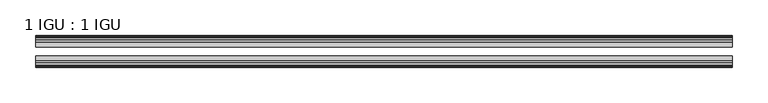
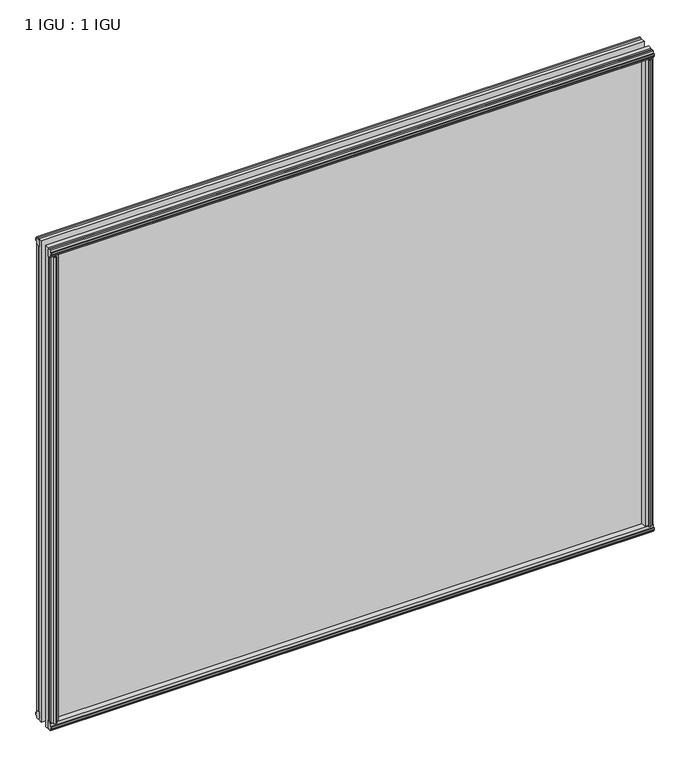
"""IFC4 building model written with IfcOpenShell, lengths in millimetres: plate geometry, 1 IGU : 1 IGU."""

from ifc_helpers import new_model, si_unit, frame, origin, origin_with_axes, place, context, project, spatial, polyline, outline, extrude, source, transform, mapped, element, save


def plate_1_igu_1_igu_0d2436c9(model_context):
    return source(origin(), model_context, "Body", "SweptSolid", [
        extrude(outline(polyline([(474.6283015, -19.5460937), (476.7335786, -13.1960937), (481.940773, -13.1960937), (482.321773, -10.8158968), (480.906244, -11.27583), (480.906244, -10.4746158), (483.083773, -9.7670937), (485.2613021, -10.4746158), (485.2613021, -11.27583), (483.845773, -10.8158968), (484.226773, -13.1960937), (488.671773, -13.1960937), (488.671773, -16.1419073), (486.4586955, -19.5460937), (474.6283015, -19.5460937)])), origin_with_axes(), (0.0, 0.0, 1.0), 800.1),
        extrude(outline(polyline([(-474.6283015, -19.5460937), (-486.4586955, -19.5460937), (-488.671773, -16.1419073), (-488.671773, -13.1960937), (-484.226773, -13.1960937), (-483.845773, -10.8158968), (-485.2613021, -11.27583), (-485.2613021, -10.4746158), (-483.083773, -9.7670937), (-480.906244, -10.4746158), (-480.906244, -11.27583), (-482.321773, -10.8158968), (-481.940773, -13.1960937), (-476.7335786, -13.1960937), (-474.6283015, -19.5460937)])), origin_with_axes(), (0.0, 0.0, 1.0), 800.1),
        extrude(outline(polyline([(-16.1419073, -12.4576852), (-19.5460937, -10.2446077), (-19.5460937, 1.5857863), (-13.1960937, -0.5194908), (-13.1960937, -5.7266852), (-10.8158968, -6.1076852), (-11.27583, -4.6921562), (-10.4746158, -4.6921562), (-9.7670937, -6.8696852), (-10.4746158, -9.0472143), (-11.27583, -9.0472143), (-10.8158968, -7.6316852), (-13.1960937, -8.0126852), (-13.1960937, -12.4576852), (-16.1419073, -12.4576852)])), frame((-488.9140878, 0.0, 0.0), z_axis=(1.0, 0.0, 0.0), x_axis=(0.0, 1.0, 0.0)), (0.0, 0.0, 1.0), 977.8281756),
        extrude(outline(polyline([(-48.3502802, -11.938), (-51.2960937, -11.938), (-51.2960937, -7.493), (-53.6762907, -7.112), (-53.2163575, -8.5275291), (-54.0175717, -8.5275291), (-54.7250937, -6.35), (-54.0175717, -4.172471), (-53.2163575, -4.172471), (-53.6762907, -5.588), (-51.2960937, -5.207), (-51.2960937, 0.0001944), (-44.9460937, 2.1054715), (-44.9460937, -9.7249225), (-48.3502802, -11.938)])), frame((-488.9140878, 0.0, 0.0), z_axis=(1.0, 0.0, 0.0), x_axis=(0.0, 1.0, 0.0)), (0.0, 0.0, 1.0), 977.8281756),
        extrude(outline(polyline([(-16.1028367, 812.5576852), (-13.1960937, 812.5576852), (-13.1960937, 808.1126852), (-10.8158968, 807.7316852), (-11.27583, 809.1472143), (-10.4746158, 809.1472143), (-9.7670937, 806.9696852), (-10.4746158, 804.7921562), (-11.27583, 804.7921562), (-10.8158968, 806.2076852), (-13.1960937, 805.8266852), (-13.1960937, 800.5940908), (-19.5460937, 798.4888137), (-19.5460937, 810.3192077), (-16.1028367, 812.5576852)])), frame((-488.9140878, 0.0, 0.0), z_axis=(1.0, 0.0, 0.0), x_axis=(0.0, 1.0, 0.0)), (0.0, 0.0, 1.0), 977.8281756),
        extrude(outline(polyline([(-48.3893508, 812.0126), (-44.9460937, 809.7741225), (-44.9460937, 797.9437285), (-51.2960937, 800.0490056), (-51.2960937, 805.2816), (-53.6762907, 805.6626), (-53.2163575, 804.2470709), (-54.0175717, 804.2470709), (-54.7250938, 806.4246), (-54.0175717, 808.602129), (-53.2163575, 808.602129), (-53.6762907, 807.1866), (-51.2960937, 807.5676), (-51.2960937, 812.0126), (-48.3893508, 812.0126)])), frame((-488.9140878, 0.0, 0.0), z_axis=(1.0, 0.0, 0.0), x_axis=(0.0, 1.0, 0.0)), (0.0, 0.0, 1.0), 977.8281756),
        extrude(outline(polyline([(-474.1086163, -44.9460938), (-476.2138934, -51.2960938), (-481.4210878, -51.2960938), (-481.8020878, -53.6762907), (-480.3865587, -53.2163575), (-480.3865587, -54.0175717), (-482.5640878, -54.7250938), (-484.7416168, -54.0175717), (-484.7416168, -53.2163575), (-483.3260878, -53.6762907), (-483.7070878, -51.2960938), (-488.1520878, -51.2960938), (-488.1520878, -48.3502802), (-485.9390103, -44.9460938), (-474.1086163, -44.9460938)])), origin_with_axes(), (0.0, 0.0, 1.0), 800.1),
        extrude(outline(polyline([(474.1086163, -44.9460938), (485.9390103, -44.9460938), (488.1520878, -48.3502802), (488.1520878, -51.2960938), (483.7070878, -51.2960938), (483.3260878, -53.6762907), (484.7416168, -53.2163575), (484.7416168, -54.0175717), (482.5640878, -54.7250938), (480.3865587, -54.0175717), (480.3865587, -53.2163575), (481.8020878, -53.6762907), (481.4210878, -51.2960938), (476.2138934, -51.2960938), (474.1086163, -44.9460938)])), origin_with_axes(), (0.0, 0.0, 1.0), 800.1),
        extrude(outline(polyline([(488.9140878, -19.5460937), (488.9140878, -25.8337453), (-488.9140878, -25.8337453), (-488.9140878, -19.5460937), (488.9140878, -19.5460937)])), frame((0.0, 0.0, -12.7), z_axis=(0.0, 0.0, 1.0), x_axis=(1.0, 0.0, 0.0)), (0.0, 0.0, 1.0), 825.4872998),
        extrude(outline(polyline([(-488.9140878, -44.9460937), (-488.9140878, -38.6468938), (488.9140878, -38.6468938), (488.9140878, -44.9460937), (-488.9140878, -44.9460937)])), frame((0.0, 0.0, -12.7), z_axis=(0.0, 0.0, 1.0), x_axis=(1.0, 0.0, 0.0)), (0.0, 0.0, 1.0), 825.4872998),
    ])


if __name__ == "__main__":
    model = new_model("IFC4")
    model_context = context("Model", 3, world=origin())
    ifc_project = project(units=[si_unit("LENGTHUNIT", "METRE", prefix="MILLI")], contexts=[model_context])
    site = spatial("IfcSite", under=ifc_project)
    building = spatial("IfcBuilding", under=site)
    placement = place(None, origin())
    plate_1_igu_1_igu_shape = plate_1_igu_1_igu_0d2436c9(model_context)
    element("IfcPlate", 1, ObjectType="1 IGU : 1 IGU", at=placement, inside=building, context=model_context, shape_type="MappedRepresentation", body=[
        mapped(plate_1_igu_1_igu_shape, transform((0.0, 0.0, 0.0), x_axis=(1.0, 0.0, 0.0), y_axis=(0.0, 1.0, 0.0), z_axis=(0.0, 0.0, 1.0))),
    ])
    save(model, "model.ifc")
